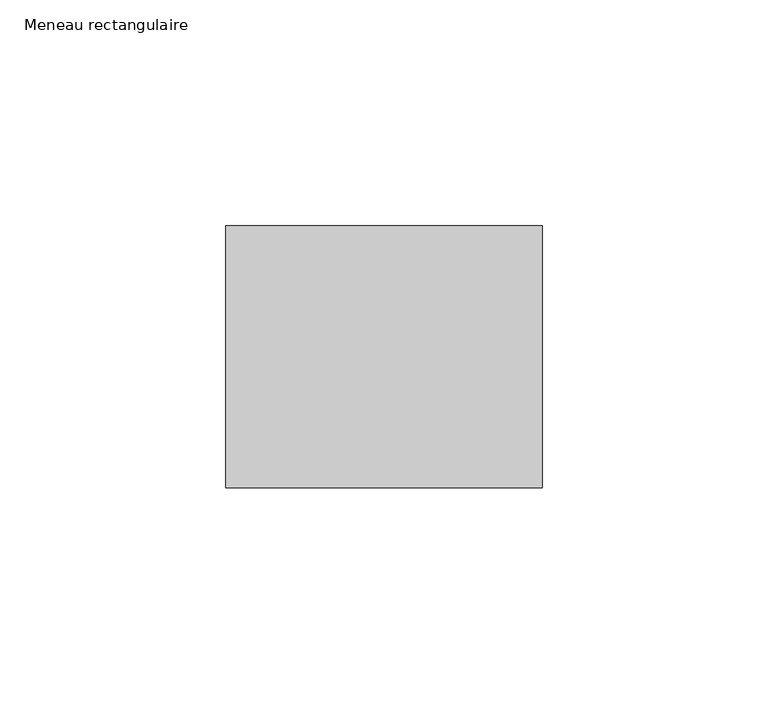
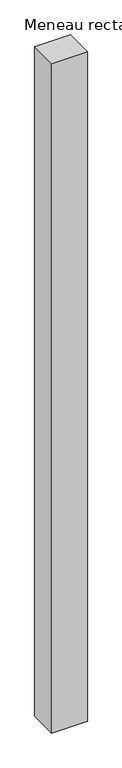
"""IFC4 building model written with IfcOpenShell, lengths in millimetres: member geometry, Meneau rectangulaire."""

from ifc_helpers import new_model, si_unit, frame, origin, place, context, project, spatial, polyline, outline, extrude, source, transform, mapped, element, save


def meneau_rectangulaire_3cba962f(model_context):
    return source(origin(), model_context, "Body", "SweptSolid", [
        extrude(outline(polyline([(0.0, 29.0), (0.0, -29.0), (-70.0, -29.0), (-70.0, 29.0), (0.0, 29.0)])), frame((0.0, 0.0, -1390.3333335), z_axis=(0.0, 0.0, 1.0), x_axis=(1.0, 0.0, 0.0)), (0.0, 0.0, 1.0), 1390.3333335),
    ])


if __name__ == "__main__":
    model = new_model("IFC4")
    model_context = context("Model", 3, world=origin())
    ifc_project = project(units=[si_unit("LENGTHUNIT", "METRE", prefix="MILLI")], contexts=[model_context])
    site = spatial("IfcSite", under=ifc_project)
    building = spatial("IfcBuilding", under=site)
    placement = place(None, origin())
    meneau_rectangulaire_shape = meneau_rectangulaire_3cba962f(model_context)
    element("IfcMember", 1, ObjectType="Meneau rectangulaire", at=placement, inside=building, context=model_context, shape_type="MappedRepresentation", body=[
        mapped(meneau_rectangulaire_shape, transform((0.0, 0.0, 0.0), x_axis=(1.0, 0.0, 0.0), y_axis=(0.0, 1.0, 0.0), z_axis=(0.0, 0.0, 1.0))),
    ])
    save(model, "model.ifc")
